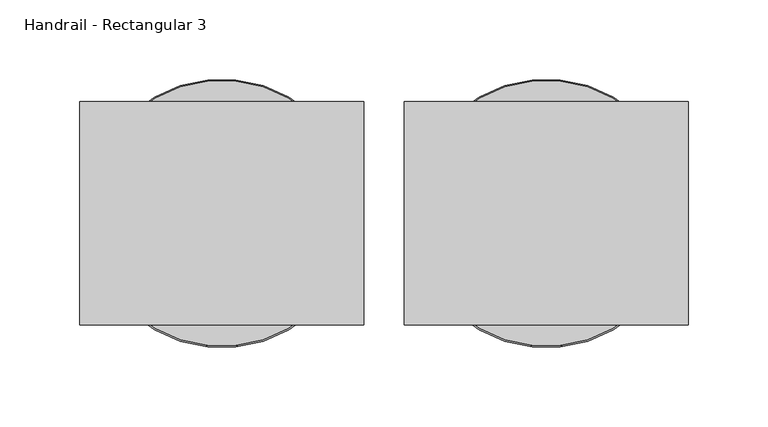
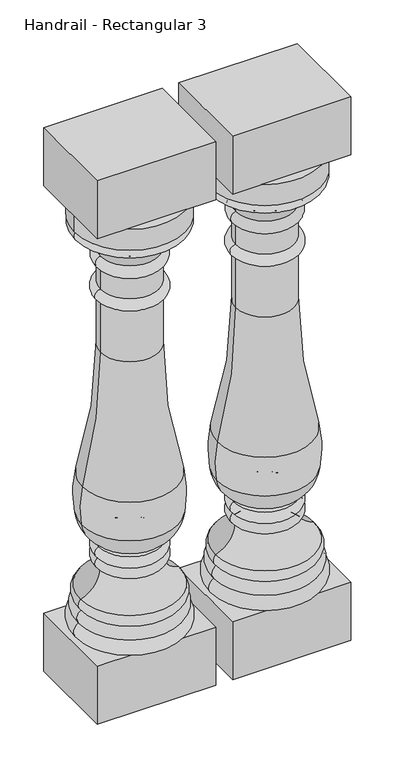
"""IFC4 building model written with IfcOpenShell, lengths in millimetres: railing geometry, Handrail - Rectangular 3."""

from ifc_helpers import new_model, si_unit, point, frame, origin, place, context, project, spatial, polyline, circle_curve, ellipse_curve, trimmed, outline, extrude, source, transform, mapped, element, save
from ifc_brep_helpers import plane_surface, cylinder_surface, revolved_surface, advanced_brep


def handrail_rectangular_3_8b797d47(model_context):
    return source(origin(), model_context, "Body", "SolidModel", [
        advanced_brep(
        [(7307.4128537, 2142.9239298, 849.3125), (7474.1003537, 2142.9239298, 849.3125), (7474.1003537, 2142.9239298, 882.65), (7307.4128537, 2142.9239298, 882.65), (7310.5878537, 2142.9239298, 849.3125), (7470.9253537, 2142.9239298, 849.3125), (7310.5878537, 2142.9239298, 835.025), (7470.9253537, 2142.9239298, 835.025), (7347.1003537, 2142.9239298, 796.925), (7434.4128537, 2142.9239298, 796.925), (7347.1003537, 2142.9239298, 777.875), (7434.4128537, 2142.9239298, 777.875), (7347.1003537, 2142.9239298, 744.5375), (7434.4128537, 2142.9239298, 744.5375), (7347.1003537, 2142.9239298, 727.075), (7434.4128537, 2142.9239298, 727.075), (7347.1003537, 2142.9239298, 644.525), (7434.4128537, 2142.9239298, 644.525), (7319.9118362, 2142.9239298, 440.2065586), (7461.6013712, 2142.9239298, 440.2065586), (7318.7214802, 2142.9239298, 379.6643134), (7462.7917272, 2142.9239298, 379.6643134), (7345.9325388, 2142.9239298, 340.8286685), (7435.5806687, 2142.9239298, 340.8286685), (7344.207257, 2142.9239298, 336.3463085), (7437.3059504, 2142.9239298, 336.3463085), (7343.1316037, 2142.9239298, 319.0875), (7438.3816037, 2142.9239298, 319.0875), (7346.3066037, 2142.9239298, 301.625), (7435.2066037, 2142.9239298, 301.625), (7316.9378537, 2142.9239298, 261.9375), (7464.5753537, 2142.9239298, 261.9375), (7317.7316037, 2142.9239298, 244.475), (7463.7816037, 2142.9239298, 244.475), (7313.7628537, 2142.9239298, 225.425), (7467.7503537, 2142.9239298, 225.425), (7310.5878537, 2142.9239298, 203.2), (7470.9253537, 2142.9239298, 203.2), (7390.7566037, 2142.9239298, 203.2), (7390.7566037, 2142.9239298, 882.65)],
        [
            (0, 1, circle_curve(frame((7390.7566037, 2142.9239298, 849.3125), z_axis=(0.0, 0.0, 1.0), x_axis=(1.0, 0.0, 0.0)), 83.34375)),
            (1, 2),
            (2, 3, circle_curve(frame((7390.7566037, 2142.9239298, 882.65), z_axis=(0.0, 0.0, -1.0), x_axis=(1.0, 0.0, 0.0)), 83.34375)),
            (3, 0),
            (1, 0, circle_curve(frame((7390.7566037, 2142.9239298, 849.3125), z_axis=(0.0, 0.0, 1.0), x_axis=(1.0, 0.0, 0.0)), 83.34375)),
            (3, 2, circle_curve(frame((7390.7566037, 2142.9239298, 882.65), z_axis=(0.0, 0.0, -1.0), x_axis=(1.0, 0.0, 0.0)), 83.34375)),
            (4, 5, circle_curve(frame((7390.7566037, 2142.9239298, 849.3125), z_axis=(0.0, 0.0, 1.0), x_axis=(1.0, 0.0, 0.0)), 80.16875)),
            (5, 1),
            (0, 4),
            (5, 4, circle_curve(frame((7390.7566037, 2142.9239298, 849.3125), z_axis=(0.0, 0.0, 1.0), x_axis=(1.0, 0.0, 0.0)), 80.16875)),
            (6, 7, circle_curve(frame((7390.7566037, 2142.9239298, 835.025), z_axis=(0.0, 0.0, 1.0), x_axis=(1.0, 0.0, 0.0)), 80.16875)),
            (7, 5, circle_curve(frame((7464.476135, 2142.9239298, 842.16875), z_axis=(0.0, -1.0, 0.0), x_axis=(1.0, 0.0, 0.0)), 9.6242187)),
            (4, 6, circle_curve(frame((7317.0370725, 2142.9239298, 842.16875), z_axis=(0.0, -1.0, 0.0), x_axis=(-1.0, 0.0, 0.0)), 9.6242187)),
            (7, 6, circle_curve(frame((7390.7566037, 2142.9239298, 835.025), z_axis=(0.0, 0.0, 1.0), x_axis=(1.0, 0.0, 0.0)), 80.16875)),
            (8, 9, circle_curve(frame((7390.7566037, 2142.9239298, 796.925), z_axis=(0.0, 0.0, 1.0), x_axis=(1.0, 0.0, 0.0)), 43.65625)),
            (9, 7, circle_curve(frame((7489.8296582, 2142.9239298, 780.362802), z_axis=(0.0, 1.0, 0.0), x_axis=(1.0, 0.0, 0.0)), 57.8388159)),
            (6, 8, circle_curve(frame((7291.6835492, 2142.9239298, 780.362802), z_axis=(0.0, 1.0, 0.0), x_axis=(-1.0, 0.0, 0.0)), 57.8388159)),
            (9, 8, circle_curve(frame((7390.7566037, 2142.9239298, 796.925), z_axis=(0.0, 0.0, 1.0), x_axis=(1.0, 0.0, 0.0)), 43.65625)),
            (10, 11, circle_curve(frame((7390.7566037, 2142.9239298, 777.875), z_axis=(0.0, 0.0, 1.0), x_axis=(1.0, 0.0, 0.0)), 43.65625)),
            (11, 9, circle_curve(frame((7432.6666037, 2142.9239298, 787.4), z_axis=(0.0, -1.0, 0.0), x_axis=(1.0, 0.0, 0.0)), 9.68375)),
            (8, 10, circle_curve(frame((7348.8466037, 2142.9239298, 787.4), z_axis=(0.0, -1.0, 0.0), x_axis=(-1.0, 0.0, 0.0)), 9.68375)),
            (11, 10, circle_curve(frame((7390.7566037, 2142.9239298, 777.875), z_axis=(0.0, 0.0, 1.0), x_axis=(1.0, 0.0, 0.0)), 43.65625)),
            (12, 13, circle_curve(frame((7390.7566037, 2142.9239298, 744.5375), z_axis=(0.0, 0.0, 1.0), x_axis=(1.0, 0.0, 0.0)), 43.65625)),
            (13, 11),
            (10, 12),
            (13, 12, circle_curve(frame((7390.7566037, 2142.9239298, 744.5375), z_axis=(0.0, 0.0, 1.0), x_axis=(1.0, 0.0, 0.0)), 43.65625)),
            (14, 15, circle_curve(frame((7390.7566037, 2142.9239298, 727.075), z_axis=(0.0, 0.0, 1.0), x_axis=(1.0, 0.0, 0.0)), 43.65625)),
            (15, 13, circle_curve(frame((7434.4128537, 2142.9239298, 735.80625), z_axis=(0.0, -1.0, 0.0), x_axis=(1.0, 0.0, 0.0)), 8.73125)),
            (12, 14, circle_curve(frame((7347.1003537, 2142.9239298, 735.80625), z_axis=(0.0, -1.0, 0.0), x_axis=(-1.0, 0.0, 0.0)), 8.73125)),
            (15, 14, circle_curve(frame((7390.7566037, 2142.9239298, 727.075), z_axis=(0.0, 0.0, 1.0), x_axis=(1.0, 0.0, 0.0)), 43.65625)),
            (16, 17, circle_curve(frame((7390.7566037, 2142.9239298, 644.525), z_axis=(0.0, 0.0, 1.0), x_axis=(1.0, 0.0, 0.0)), 43.65625)),
            (17, 15),
            (14, 16),
            (17, 16, circle_curve(frame((7390.7566037, 2142.9239298, 644.525), z_axis=(0.0, 0.0, 1.0), x_axis=(1.0, 0.0, 0.0)), 43.65625)),
            (18, 19, circle_curve(frame((7390.7566037, 2142.9239298, 440.2065586), z_axis=(0.0, 0.0, 1.0), x_axis=(1.0, 0.0, 0.0)), 70.8447675)),
            (19, 17, circle_curve(frame((8169.1896033, 2142.9239298, 638.333048), z_axis=(0.0, 1.0, 0.0), x_axis=(1.0, 0.0, 0.0)), 734.8028389)),
            (16, 18, circle_curve(frame((6612.3236041, 2142.9239298, 638.333048), z_axis=(0.0, 1.0, 0.0), x_axis=(-1.0, 0.0, 0.0)), 734.8028389)),
            (19, 18, circle_curve(frame((7390.7566037, 2142.9239298, 440.2065586), z_axis=(0.0, 0.0, 1.0), x_axis=(1.0, 0.0, 0.0)), 70.8447675)),
            (20, 21, circle_curve(frame((7390.7566037, 2142.9239298, 379.6643134), z_axis=(0.0, 0.0, 1.0), x_axis=(1.0, 0.0, 0.0)), 72.0351235)),
            (21, 19, circle_curve(frame((7303.7027491, 2142.9239298, 406.819198), z_axis=(0.0, -1.0, 0.0), x_axis=(1.0, 0.0, 0.0)), 161.3898718)),
            (18, 20, circle_curve(frame((7477.8104584, 2142.9239298, 406.819198), z_axis=(0.0, -1.0, 0.0), x_axis=(-1.0, 0.0, 0.0)), 161.3898718)),
            (21, 20, circle_curve(frame((7390.7566037, 2142.9239298, 379.6643134), z_axis=(0.0, 0.0, 1.0), x_axis=(1.0, 0.0, 0.0)), 72.0351235)),
            (22, 23, circle_curve(frame((7390.7566037, 2142.9239298, 340.8286685), z_axis=(0.0, 0.0, 1.0), x_axis=(1.0, 0.0, 0.0)), 44.8240649)),
            (23, 21, circle_curve(frame((7413.0617054, 2142.9239298, 385.5579203), z_axis=(0.0, -1.0, 0.0), x_axis=(1.0, 0.0, 0.0)), 50.0780358)),
            (20, 22, circle_curve(frame((7368.451502, 2142.9239298, 385.5579203), z_axis=(0.0, -1.0, 0.0), x_axis=(-1.0, 0.0, 0.0)), 50.0780358)),
            (23, 22, circle_curve(frame((7390.7566037, 2142.9239298, 340.8286685), z_axis=(0.0, 0.0, 1.0), x_axis=(1.0, 0.0, 0.0)), 44.8240649)),
            (24, 25, circle_curve(frame((7390.7566037, 2142.9239298, 336.3463085), z_axis=(0.0, 0.0, 1.0), x_axis=(1.0, 0.0, 0.0)), 46.5493467)),
            (25, 23, circle_curve(frame((7438.3816037, 2142.9239298, 339.3335472), z_axis=(0.0, 1.0, 0.0), x_axis=(1.0, 0.0, 0.0)), 3.175)),
            (22, 24, circle_curve(frame((7343.1316037, 2142.9239298, 339.3335472), z_axis=(0.0, 1.0, 0.0), x_axis=(-1.0, 0.0, 0.0)), 3.175)),
            (25, 24, circle_curve(frame((7390.7566037, 2142.9239298, 336.3463085), z_axis=(0.0, 0.0, 1.0), x_axis=(1.0, 0.0, 0.0)), 46.5493467)),
            (26, 27, circle_curve(frame((7390.7566037, 2142.9239298, 319.0875), z_axis=(0.0, 0.0, 1.0), x_axis=(1.0, 0.0, 0.0)), 47.625)),
            (27, 25, circle_curve(frame((7433.305239, 2142.9239298, 327.4340404), z_axis=(0.0, -1.0, 0.0), x_axis=(1.0, 0.0, 0.0)), 9.7690437)),
            (24, 26, circle_curve(frame((7348.2079685, 2142.9239298, 327.4340404), z_axis=(0.0, -1.0, 0.0), x_axis=(-1.0, 0.0, 0.0)), 9.7690437)),
            (27, 26, circle_curve(frame((7390.7566037, 2142.9239298, 319.0875), z_axis=(0.0, 0.0, 1.0), x_axis=(1.0, 0.0, 0.0)), 47.625)),
            (28, 29, circle_curve(frame((7390.7566037, 2142.9239298, 301.625), z_axis=(0.0, 0.0, 1.0), x_axis=(1.0, 0.0, 0.0)), 44.45)),
            (29, 27, circle_curve(frame((7433.7679318, 2142.9239298, 310.9064631), z_axis=(0.0, -1.0, 0.0), x_axis=(1.0, 0.0, 0.0)), 9.3923018)),
            (26, 28, circle_curve(frame((7347.7452756, 2142.9239298, 310.9064631), z_axis=(0.0, -1.0, 0.0), x_axis=(-1.0, 0.0, 0.0)), 9.3923018)),
            (29, 28, circle_curve(frame((7390.7566037, 2142.9239298, 301.625), z_axis=(0.0, 0.0, 1.0), x_axis=(1.0, 0.0, 0.0)), 44.45)),
            (30, 31, circle_curve(frame((7390.7566037, 2142.9239298, 261.9375), z_axis=(0.0, 0.0, 1.0), x_axis=(1.0, 0.0, 0.0)), 73.81875)),
            (31, 29, circle_curve(frame((7476.7068571, 2142.9239298, 301.625), z_axis=(0.0, 1.0, 0.0), x_axis=(1.0, 0.0, 0.0)), 41.5002534)),
            (28, 30, circle_curve(frame((7304.8063503, 2142.9239298, 301.625), z_axis=(0.0, 1.0, 0.0), x_axis=(-1.0, 0.0, 0.0)), 41.5002534)),
            (31, 30, circle_curve(frame((7390.7566037, 2142.9239298, 261.9375), z_axis=(0.0, 0.0, 1.0), x_axis=(1.0, 0.0, 0.0)), 73.81875)),
            (32, 33, circle_curve(frame((7390.7566037, 2142.9239298, 244.475), z_axis=(0.0, 0.0, 1.0), x_axis=(1.0, 0.0, 0.0)), 73.025)),
            (33, 31, circle_curve(frame((7455.2708398, 2142.9239298, 253.6111427), z_axis=(0.0, -1.0, 0.0), x_axis=(1.0, 0.0, 0.0)), 12.4860804)),
            (30, 32, circle_curve(frame((7326.2423676, 2142.9239298, 253.6111427), z_axis=(0.0, -1.0, 0.0), x_axis=(-1.0, 0.0, 0.0)), 12.4860804)),
            (33, 32, circle_curve(frame((7390.7566037, 2142.9239298, 244.475), z_axis=(0.0, 0.0, 1.0), x_axis=(1.0, 0.0, 0.0)), 73.025)),
            (34, 35, circle_curve(frame((7390.7566037, 2142.9239298, 225.425), z_axis=(0.0, 0.0, 1.0), x_axis=(1.0, 0.0, 0.0)), 76.99375)),
            (35, 33, circle_curve(frame((7457.1068878, 2142.9239298, 233.1460227), z_axis=(0.0, -1.0, 0.0), x_axis=(1.0, 0.0, 0.0)), 13.1490516)),
            (32, 34, circle_curve(frame((7324.4063196, 2142.9239298, 233.1460227), z_axis=(0.0, -1.0, 0.0), x_axis=(-1.0, 0.0, 0.0)), 13.1490516)),
            (35, 34, circle_curve(frame((7390.7566037, 2142.9239298, 225.425), z_axis=(0.0, 0.0, 1.0), x_axis=(1.0, 0.0, 0.0)), 76.99375)),
            (36, 37, circle_curve(frame((7390.7566037, 2142.9239298, 203.2), z_axis=(0.0, 0.0, 1.0), x_axis=(1.0, 0.0, 0.0)), 80.16875)),
            (37, 35, circle_curve(frame((7460.776693, 2142.9239298, 213.089477), z_axis=(0.0, -1.0, 0.0), x_axis=(1.0, 0.0, 0.0)), 14.1702883)),
            (34, 36, circle_curve(frame((7320.7365144, 2142.9239298, 213.089477), z_axis=(0.0, -1.0, 0.0), x_axis=(-1.0, 0.0, 0.0)), 14.1702883)),
            (37, 36, circle_curve(frame((7390.7566037, 2142.9239298, 203.2), z_axis=(0.0, 0.0, 1.0), x_axis=(1.0, 0.0, 0.0)), 80.16875)),
            (38, 37),
            (36, 38),
            (2, 39),
            (39, 3),
        ],
        [
            cylinder_surface(frame((7390.7566037, 2142.9239298, 831.85), z_axis=(0.0, 0.0, -1.0), x_axis=(1.0, 0.0, 0.0)), 83.34375),
            plane_surface(frame((7390.7566037, 2142.9239298, 849.3125), z_axis=(0.0, 0.0, -1.0), x_axis=(1.0, 0.0, 0.0))),
            revolved_surface(trimmed(ellipse_curve(frame((7464.476135, 2142.9239298, 842.16875), z_axis=(0.0, 1.0, 0.0), x_axis=(1.0, 0.0, 0.0)), 9.6242187, 9.6242187), [point((7470.9253537, 2142.9239298, 849.3125))], [point((7470.9253537, 2142.9239298, 835.025))], True, "CARTESIAN"), (7390.7566037, 2142.9239298, 831.85), (0.0, 0.0, -1.0)),
            revolved_surface(trimmed(ellipse_curve(frame((7489.8296582, 2142.9239298, 780.362802), z_axis=(0.0, -1.0, 0.0), x_axis=(1.0, 0.0, 0.0)), 57.8388159, 57.8388159), [point((7470.9253537, 2142.9239298, 835.025))], [point((7434.4128537, 2142.9239298, 796.925))], True, "CARTESIAN"), (7390.7566037, 2142.9239298, 831.85), (0.0, 0.0, -1.0)),
            revolved_surface(trimmed(ellipse_curve(frame((7432.6666037, 2142.9239298, 787.4), z_axis=(0.0, 1.0, 0.0), x_axis=(1.0, 0.0, 0.0)), 9.68375, 9.68375), [point((7434.4128537, 2142.9239298, 796.925))], [point((7434.4128537, 2142.9239298, 777.875))], True, "CARTESIAN"), (7390.7566037, 2142.9239298, 831.85), (0.0, 0.0, -1.0)),
            cylinder_surface(frame((7390.7566037, 2142.9239298, 831.85), z_axis=(0.0, 0.0, -1.0), x_axis=(1.0, 0.0, 0.0)), 43.65625),
            revolved_surface(trimmed(ellipse_curve(frame((7434.4128537, 2142.9239298, 735.80625), z_axis=(0.0, 1.0, 0.0), x_axis=(1.0, 0.0, 0.0)), 8.73125, 8.73125), [point((7434.4128537, 2142.9239298, 744.5375))], [point((7434.4128537, 2142.9239298, 727.075))], True, "CARTESIAN"), (7390.7566037, 2142.9239298, 831.85), (0.0, 0.0, -1.0)),
            revolved_surface(trimmed(ellipse_curve(frame((8169.1896033, 2142.9239298, 638.333048), z_axis=(0.0, -1.0, 0.0), x_axis=(1.0, 0.0, 0.0)), 734.8028389, 734.8028389), [point((7434.4128537, 2142.9239298, 644.525))], [point((7461.6013712, 2142.9239298, 440.2065586))], True, "CARTESIAN"), (7390.7566037, 2142.9239298, 831.85), (0.0, 0.0, -1.0)),
            revolved_surface(trimmed(ellipse_curve(frame((7303.7027491, 2142.9239298, 406.819198), z_axis=(0.0, 1.0, 0.0), x_axis=(1.0, 0.0, 0.0)), 161.3898718, 161.3898718), [point((7461.6013712, 2142.9239298, 440.2065586))], [point((7462.7917272, 2142.9239298, 379.6643134))], True, "CARTESIAN"), (7390.7566037, 2142.9239298, 831.85), (0.0, 0.0, -1.0)),
            revolved_surface(trimmed(ellipse_curve(frame((7413.0617054, 2142.9239298, 385.5579203), z_axis=(0.0, 1.0, 0.0), x_axis=(1.0, 0.0, 0.0)), 50.0780358, 50.0780358), [point((7462.7917272, 2142.9239298, 379.6643134))], [point((7435.5806687, 2142.9239298, 340.8286685))], True, "CARTESIAN"), (7390.7566037, 2142.9239298, 831.85), (0.0, 0.0, -1.0)),
            revolved_surface(trimmed(ellipse_curve(frame((7438.3816037, 2142.9239298, 339.3335472), z_axis=(0.0, -1.0, 0.0), x_axis=(1.0, 0.0, 0.0)), 3.175, 3.175), [point((7435.5806687, 2142.9239298, 340.8286685))], [point((7437.3059504, 2142.9239298, 336.3463085))], True, "CARTESIAN"), (7390.7566037, 2142.9239298, 831.85), (0.0, 0.0, -1.0)),
            revolved_surface(trimmed(ellipse_curve(frame((7433.305239, 2142.9239298, 327.4340404), z_axis=(0.0, 1.0, 0.0), x_axis=(1.0, 0.0, 0.0)), 9.7690437, 9.7690437), [point((7437.3059504, 2142.9239298, 336.3463085))], [point((7438.3816037, 2142.9239298, 319.0875))], True, "CARTESIAN"), (7390.7566037, 2142.9239298, 831.85), (0.0, 0.0, -1.0)),
            revolved_surface(trimmed(ellipse_curve(frame((7433.7679318, 2142.9239298, 310.9064631), z_axis=(0.0, 1.0, 0.0), x_axis=(1.0, 0.0, 0.0)), 9.3923018, 9.3923018), [point((7438.3816037, 2142.9239298, 319.0875))], [point((7435.2066037, 2142.9239298, 301.625))], True, "CARTESIAN"), (7390.7566037, 2142.9239298, 831.85), (0.0, 0.0, -1.0)),
            revolved_surface(trimmed(ellipse_curve(frame((7476.7068571, 2142.9239298, 301.625), z_axis=(0.0, -1.0, 0.0), x_axis=(1.0, 0.0, 0.0)), 41.5002534, 41.5002534), [point((7435.2066037, 2142.9239298, 301.625))], [point((7464.5753537, 2142.9239298, 261.9375))], True, "CARTESIAN"), (7390.7566037, 2142.9239298, 831.85), (0.0, 0.0, -1.0)),
            revolved_surface(trimmed(ellipse_curve(frame((7455.2708398, 2142.9239298, 253.6111427), z_axis=(0.0, 1.0, 0.0), x_axis=(1.0, 0.0, 0.0)), 12.4860804, 12.4860804), [point((7464.5753537, 2142.9239298, 261.9375))], [point((7463.7816037, 2142.9239298, 244.475))], True, "CARTESIAN"), (7390.7566037, 2142.9239298, 831.85), (0.0, 0.0, -1.0)),
            revolved_surface(trimmed(ellipse_curve(frame((7457.1068878, 2142.9239298, 233.1460227), z_axis=(0.0, 1.0, 0.0), x_axis=(1.0, 0.0, 0.0)), 13.1490516, 13.1490516), [point((7463.7816037, 2142.9239298, 244.475))], [point((7467.7503537, 2142.9239298, 225.425))], True, "CARTESIAN"), (7390.7566037, 2142.9239298, 831.85), (0.0, 0.0, -1.0)),
            revolved_surface(trimmed(ellipse_curve(frame((7460.776693, 2142.9239298, 213.089477), z_axis=(0.0, 1.0, 0.0), x_axis=(1.0, 0.0, 0.0)), 14.1702883, 14.1702883), [point((7467.7503537, 2142.9239298, 225.425))], [point((7470.9253537, 2142.9239298, 203.2))], True, "CARTESIAN"), (7390.7566037, 2142.9239298, 831.85), (0.0, 0.0, -1.0)),
            plane_surface(frame((7390.7566037, 2142.9239298, 203.2), z_axis=(0.0, 0.0, -1.0), x_axis=(1.0, 0.0, 0.0))),
            plane_surface(frame((7390.7566037, 2142.9239298, 882.65), z_axis=(0.0, 0.0, 1.0), x_axis=(1.0, 0.0, 0.0))),
        ],
        [
            (0, [[1, 2, 3, 4]]),
            (0, [[5, -4, 6, -2]]),
            (1, [[7, 8, -1, 9]]),
            (1, [[10, -9, -5, -8]]),
            (2, [[11, 12, -7, 13]]),
            (2, [[14, -13, -10, -12]]),
            (3, [[15, 16, -11, 17]]),
            (3, [[18, -17, -14, -16]]),
            (4, [[19, 20, -15, 21]]),
            (4, [[22, -21, -18, -20]]),
            (5, [[23, 24, -19, 25]]),
            (5, [[26, -25, -22, -24]]),
            (6, [[27, 28, -23, 29]]),
            (6, [[30, -29, -26, -28]]),
            (5, [[31, 32, -27, 33]]),
            (5, [[34, -33, -30, -32]]),
            (7, [[35, 36, -31, 37]]),
            (7, [[38, -37, -34, -36]]),
            (8, [[39, 40, -35, 41]]),
            (8, [[42, -41, -38, -40]]),
            (9, [[43, 44, -39, 45]]),
            (9, [[46, -45, -42, -44]]),
            (10, [[47, 48, -43, 49]]),
            (10, [[50, -49, -46, -48]]),
            (11, [[51, 52, -47, 53]]),
            (11, [[54, -53, -50, -52]]),
            (12, [[55, 56, -51, 57]]),
            (12, [[58, -57, -54, -56]]),
            (13, [[59, 60, -55, 61]]),
            (13, [[62, -61, -58, -60]]),
            (14, [[63, 64, -59, 65]]),
            (14, [[66, -65, -62, -64]]),
            (15, [[67, 68, -63, 69]]),
            (15, [[70, -69, -66, -68]]),
            (16, [[71, 72, -67, 73]]),
            (16, [[74, -73, -70, -72]]),
            (17, [[75, -71, 76]]),
            (17, [[-76, -74, -75]]),
            (18, [[-3, 77, 78]]),
            (18, [[-6, -78, -77]]),
        ],
    ),
        extrude(outline(polyline([(7301.8566037, 2073.0739298), (7301.8566037, 2212.7739298), (7479.6566037, 2212.7739298), (7479.6566037, 2073.0739298), (7301.8566037, 2073.0739298)])), frame((0.0, 0.0, 111.125), z_axis=(0.0, 0.0, 1.0), x_axis=(1.0, 0.0, 0.0)), (0.0, 0.0, 1.0), 92.075),
        extrude(outline(polyline([(7301.8566037, 2212.7739298), (7479.6566037, 2212.7739298), (7479.6566037, 2073.0739298), (7301.8566037, 2073.0739298), (7301.8566037, 2212.7739298)])), frame((0.0, 0.0, 882.65), z_axis=(0.0, 0.0, 1.0), x_axis=(1.0, 0.0, 0.0)), (0.0, 0.0, 1.0), 92.075),
        advanced_brep(
        [(7104.2128537, 2142.9239298, 849.3125), (7270.9003537, 2142.9239298, 849.3125), (7270.9003537, 2142.9239298, 882.65), (7104.2128537, 2142.9239298, 882.65), (7107.3878537, 2142.9239298, 849.3125), (7267.7253537, 2142.9239298, 849.3125), (7107.3878537, 2142.9239298, 835.025), (7267.7253537, 2142.9239298, 835.025), (7143.9003537, 2142.9239298, 796.925), (7231.2128537, 2142.9239298, 796.925), (7143.9003537, 2142.9239298, 777.875), (7231.2128537, 2142.9239298, 777.875), (7143.9003537, 2142.9239298, 744.5375), (7231.2128537, 2142.9239298, 744.5375), (7143.9003537, 2142.9239298, 727.075), (7231.2128537, 2142.9239298, 727.075), (7143.9003537, 2142.9239298, 644.525), (7231.2128537, 2142.9239298, 644.525), (7116.7118362, 2142.9239298, 440.2065586), (7258.4013712, 2142.9239298, 440.2065586), (7115.5214802, 2142.9239298, 379.6643134), (7259.5917272, 2142.9239298, 379.6643134), (7142.7325388, 2142.9239298, 340.8286685), (7232.3806687, 2142.9239298, 340.8286685), (7141.007257, 2142.9239298, 336.3463085), (7234.1059504, 2142.9239298, 336.3463085), (7139.9316037, 2142.9239298, 319.0875), (7235.1816037, 2142.9239298, 319.0875), (7143.1066037, 2142.9239298, 301.625), (7232.0066037, 2142.9239298, 301.625), (7113.7378537, 2142.9239298, 261.9375), (7261.3753537, 2142.9239298, 261.9375), (7114.5316037, 2142.9239298, 244.475), (7260.5816037, 2142.9239298, 244.475), (7110.5628537, 2142.9239298, 225.425), (7264.5503537, 2142.9239298, 225.425), (7107.3878537, 2142.9239298, 203.2), (7267.7253537, 2142.9239298, 203.2), (7187.5566037, 2142.9239298, 203.2), (7187.5566037, 2142.9239298, 882.65)],
        [
            (0, 1, circle_curve(frame((7187.5566037, 2142.9239298, 849.3125), z_axis=(0.0, 0.0, 1.0), x_axis=(1.0, 0.0, 0.0)), 83.34375)),
            (1, 2),
            (2, 3, circle_curve(frame((7187.5566037, 2142.9239298, 882.65), z_axis=(0.0, 0.0, -1.0), x_axis=(1.0, 0.0, 0.0)), 83.34375)),
            (3, 0),
            (1, 0, circle_curve(frame((7187.5566037, 2142.9239298, 849.3125), z_axis=(0.0, 0.0, 1.0), x_axis=(1.0, 0.0, 0.0)), 83.34375)),
            (3, 2, circle_curve(frame((7187.5566037, 2142.9239298, 882.65), z_axis=(0.0, 0.0, -1.0), x_axis=(1.0, 0.0, 0.0)), 83.34375)),
            (4, 5, circle_curve(frame((7187.5566037, 2142.9239298, 849.3125), z_axis=(0.0, 0.0, 1.0), x_axis=(1.0, 0.0, 0.0)), 80.16875)),
            (5, 1),
            (0, 4),
            (5, 4, circle_curve(frame((7187.5566037, 2142.9239298, 849.3125), z_axis=(0.0, 0.0, 1.0), x_axis=(1.0, 0.0, 0.0)), 80.16875)),
            (6, 7, circle_curve(frame((7187.5566037, 2142.9239298, 835.025), z_axis=(0.0, 0.0, 1.0), x_axis=(1.0, 0.0, 0.0)), 80.16875)),
            (7, 5, circle_curve(frame((7261.276135, 2142.9239298, 842.16875), z_axis=(0.0, -1.0, 0.0), x_axis=(1.0, 0.0, 0.0)), 9.6242187)),
            (4, 6, circle_curve(frame((7113.8370725, 2142.9239298, 842.16875), z_axis=(0.0, -1.0, 0.0), x_axis=(-1.0, 0.0, 0.0)), 9.6242187)),
            (7, 6, circle_curve(frame((7187.5566037, 2142.9239298, 835.025), z_axis=(0.0, 0.0, 1.0), x_axis=(1.0, 0.0, 0.0)), 80.16875)),
            (8, 9, circle_curve(frame((7187.5566037, 2142.9239298, 796.925), z_axis=(0.0, 0.0, 1.0), x_axis=(1.0, 0.0, 0.0)), 43.65625)),
            (9, 7, circle_curve(frame((7286.6296582, 2142.9239298, 780.362802), z_axis=(0.0, 1.0, 0.0), x_axis=(1.0, 0.0, 0.0)), 57.8388159)),
            (6, 8, circle_curve(frame((7088.4835492, 2142.9239298, 780.362802), z_axis=(0.0, 1.0, 0.0), x_axis=(-1.0, 0.0, 0.0)), 57.8388159)),
            (9, 8, circle_curve(frame((7187.5566037, 2142.9239298, 796.925), z_axis=(0.0, 0.0, 1.0), x_axis=(1.0, 0.0, 0.0)), 43.65625)),
            (10, 11, circle_curve(frame((7187.5566037, 2142.9239298, 777.875), z_axis=(0.0, 0.0, 1.0), x_axis=(1.0, 0.0, 0.0)), 43.65625)),
            (11, 9, circle_curve(frame((7229.4666037, 2142.9239298, 787.4), z_axis=(0.0, -1.0, 0.0), x_axis=(1.0, 0.0, 0.0)), 9.68375)),
            (8, 10, circle_curve(frame((7145.6466037, 2142.9239298, 787.4), z_axis=(0.0, -1.0, 0.0), x_axis=(-1.0, 0.0, 0.0)), 9.68375)),
            (11, 10, circle_curve(frame((7187.5566037, 2142.9239298, 777.875), z_axis=(0.0, 0.0, 1.0), x_axis=(1.0, 0.0, 0.0)), 43.65625)),
            (12, 13, circle_curve(frame((7187.5566037, 2142.9239298, 744.5375), z_axis=(0.0, 0.0, 1.0), x_axis=(1.0, 0.0, 0.0)), 43.65625)),
            (13, 11),
            (10, 12),
            (13, 12, circle_curve(frame((7187.5566037, 2142.9239298, 744.5375), z_axis=(0.0, 0.0, 1.0), x_axis=(1.0, 0.0, 0.0)), 43.65625)),
            (14, 15, circle_curve(frame((7187.5566037, 2142.9239298, 727.075), z_axis=(0.0, 0.0, 1.0), x_axis=(1.0, 0.0, 0.0)), 43.65625)),
            (15, 13, circle_curve(frame((7231.2128537, 2142.9239298, 735.80625), z_axis=(0.0, -1.0, 0.0), x_axis=(1.0, 0.0, 0.0)), 8.73125)),
            (12, 14, circle_curve(frame((7143.9003537, 2142.9239298, 735.80625), z_axis=(0.0, -1.0, 0.0), x_axis=(-1.0, 0.0, 0.0)), 8.73125)),
            (15, 14, circle_curve(frame((7187.5566037, 2142.9239298, 727.075), z_axis=(0.0, 0.0, 1.0), x_axis=(1.0, 0.0, 0.0)), 43.65625)),
            (16, 17, circle_curve(frame((7187.5566037, 2142.9239298, 644.525), z_axis=(0.0, 0.0, 1.0), x_axis=(1.0, 0.0, 0.0)), 43.65625)),
            (17, 15),
            (14, 16),
            (17, 16, circle_curve(frame((7187.5566037, 2142.9239298, 644.525), z_axis=(0.0, 0.0, 1.0), x_axis=(1.0, 0.0, 0.0)), 43.65625)),
            (18, 19, circle_curve(frame((7187.5566037, 2142.9239298, 440.2065586), z_axis=(0.0, 0.0, 1.0), x_axis=(1.0, 0.0, 0.0)), 70.8447675)),
            (19, 17, circle_curve(frame((7965.9896033, 2142.9239298, 638.333048), z_axis=(0.0, 1.0, 0.0), x_axis=(1.0, 0.0, 0.0)), 734.8028389)),
            (16, 18, circle_curve(frame((6409.1236041, 2142.9239298, 638.333048), z_axis=(0.0, 1.0, 0.0), x_axis=(-1.0, 0.0, 0.0)), 734.8028389)),
            (19, 18, circle_curve(frame((7187.5566037, 2142.9239298, 440.2065586), z_axis=(0.0, 0.0, 1.0), x_axis=(1.0, 0.0, 0.0)), 70.8447675)),
            (20, 21, circle_curve(frame((7187.5566037, 2142.9239298, 379.6643134), z_axis=(0.0, 0.0, 1.0), x_axis=(1.0, 0.0, 0.0)), 72.0351235)),
            (21, 19, circle_curve(frame((7100.5027491, 2142.9239298, 406.819198), z_axis=(0.0, -1.0, 0.0), x_axis=(1.0, 0.0, 0.0)), 161.3898718)),
            (18, 20, circle_curve(frame((7274.6104584, 2142.9239298, 406.819198), z_axis=(0.0, -1.0, 0.0), x_axis=(-1.0, 0.0, 0.0)), 161.3898718)),
            (21, 20, circle_curve(frame((7187.5566037, 2142.9239298, 379.6643134), z_axis=(0.0, 0.0, 1.0), x_axis=(1.0, 0.0, 0.0)), 72.0351235)),
            (22, 23, circle_curve(frame((7187.5566037, 2142.9239298, 340.8286685), z_axis=(0.0, 0.0, 1.0), x_axis=(1.0, 0.0, 0.0)), 44.8240649)),
            (23, 21, circle_curve(frame((7209.8617054, 2142.9239298, 385.5579203), z_axis=(0.0, -1.0, 0.0), x_axis=(1.0, 0.0, 0.0)), 50.0780358)),
            (20, 22, circle_curve(frame((7165.251502, 2142.9239298, 385.5579203), z_axis=(0.0, -1.0, 0.0), x_axis=(-1.0, 0.0, 0.0)), 50.0780358)),
            (23, 22, circle_curve(frame((7187.5566037, 2142.9239298, 340.8286685), z_axis=(0.0, 0.0, 1.0), x_axis=(1.0, 0.0, 0.0)), 44.8240649)),
            (24, 25, circle_curve(frame((7187.5566037, 2142.9239298, 336.3463085), z_axis=(0.0, 0.0, 1.0), x_axis=(1.0, 0.0, 0.0)), 46.5493467)),
            (25, 23, circle_curve(frame((7235.1816037, 2142.9239298, 339.3335472), z_axis=(0.0, 1.0, 0.0), x_axis=(1.0, 0.0, 0.0)), 3.175)),
            (22, 24, circle_curve(frame((7139.9316037, 2142.9239298, 339.3335472), z_axis=(0.0, 1.0, 0.0), x_axis=(-1.0, 0.0, 0.0)), 3.175)),
            (25, 24, circle_curve(frame((7187.5566037, 2142.9239298, 336.3463085), z_axis=(0.0, 0.0, 1.0), x_axis=(1.0, 0.0, 0.0)), 46.5493467)),
            (26, 27, circle_curve(frame((7187.5566037, 2142.9239298, 319.0875), z_axis=(0.0, 0.0, 1.0), x_axis=(1.0, 0.0, 0.0)), 47.625)),
            (27, 25, circle_curve(frame((7230.105239, 2142.9239298, 327.4340404), z_axis=(0.0, -1.0, 0.0), x_axis=(1.0, 0.0, 0.0)), 9.7690437)),
            (24, 26, circle_curve(frame((7145.0079685, 2142.9239298, 327.4340404), z_axis=(0.0, -1.0, 0.0), x_axis=(-1.0, 0.0, 0.0)), 9.7690437)),
            (27, 26, circle_curve(frame((7187.5566037, 2142.9239298, 319.0875), z_axis=(0.0, 0.0, 1.0), x_axis=(1.0, 0.0, 0.0)), 47.625)),
            (28, 29, circle_curve(frame((7187.5566037, 2142.9239298, 301.625), z_axis=(0.0, 0.0, 1.0), x_axis=(1.0, 0.0, 0.0)), 44.45)),
            (29, 27, circle_curve(frame((7230.5679318, 2142.9239298, 310.9064631), z_axis=(0.0, -1.0, 0.0), x_axis=(1.0, 0.0, 0.0)), 9.3923018)),
            (26, 28, circle_curve(frame((7144.5452756, 2142.9239298, 310.9064631), z_axis=(0.0, -1.0, 0.0), x_axis=(-1.0, 0.0, 0.0)), 9.3923018)),
            (29, 28, circle_curve(frame((7187.5566037, 2142.9239298, 301.625), z_axis=(0.0, 0.0, 1.0), x_axis=(1.0, 0.0, 0.0)), 44.45)),
            (30, 31, circle_curve(frame((7187.5566037, 2142.9239298, 261.9375), z_axis=(0.0, 0.0, 1.0), x_axis=(1.0, 0.0, 0.0)), 73.81875)),
            (31, 29, circle_curve(frame((7273.5068571, 2142.9239298, 301.625), z_axis=(0.0, 1.0, 0.0), x_axis=(1.0, 0.0, 0.0)), 41.5002534)),
            (28, 30, circle_curve(frame((7101.6063503, 2142.9239298, 301.625), z_axis=(0.0, 1.0, 0.0), x_axis=(-1.0, 0.0, 0.0)), 41.5002534)),
            (31, 30, circle_curve(frame((7187.5566037, 2142.9239298, 261.9375), z_axis=(0.0, 0.0, 1.0), x_axis=(1.0, 0.0, 0.0)), 73.81875)),
            (32, 33, circle_curve(frame((7187.5566037, 2142.9239298, 244.475), z_axis=(0.0, 0.0, 1.0), x_axis=(1.0, 0.0, 0.0)), 73.025)),
            (33, 31, circle_curve(frame((7252.0708398, 2142.9239298, 253.6111427), z_axis=(0.0, -1.0, 0.0), x_axis=(1.0, 0.0, 0.0)), 12.4860804)),
            (30, 32, circle_curve(frame((7123.0423676, 2142.9239298, 253.6111427), z_axis=(0.0, -1.0, 0.0), x_axis=(-1.0, 0.0, 0.0)), 12.4860804)),
            (33, 32, circle_curve(frame((7187.5566037, 2142.9239298, 244.475), z_axis=(0.0, 0.0, 1.0), x_axis=(1.0, 0.0, 0.0)), 73.025)),
            (34, 35, circle_curve(frame((7187.5566037, 2142.9239298, 225.425), z_axis=(0.0, 0.0, 1.0), x_axis=(1.0, 0.0, 0.0)), 76.99375)),
            (35, 33, circle_curve(frame((7253.9068878, 2142.9239298, 233.1460227), z_axis=(0.0, -1.0, 0.0), x_axis=(1.0, 0.0, 0.0)), 13.1490516)),
            (32, 34, circle_curve(frame((7121.2063196, 2142.9239298, 233.1460227), z_axis=(0.0, -1.0, 0.0), x_axis=(-1.0, 0.0, 0.0)), 13.1490516)),
            (35, 34, circle_curve(frame((7187.5566037, 2142.9239298, 225.425), z_axis=(0.0, 0.0, 1.0), x_axis=(1.0, 0.0, 0.0)), 76.99375)),
            (36, 37, circle_curve(frame((7187.5566037, 2142.9239298, 203.2), z_axis=(0.0, 0.0, 1.0), x_axis=(1.0, 0.0, 0.0)), 80.16875)),
            (37, 35, circle_curve(frame((7257.576693, 2142.9239298, 213.089477), z_axis=(0.0, -1.0, 0.0), x_axis=(1.0, 0.0, 0.0)), 14.1702883)),
            (34, 36, circle_curve(frame((7117.5365144, 2142.9239298, 213.089477), z_axis=(0.0, -1.0, 0.0), x_axis=(-1.0, 0.0, 0.0)), 14.1702883)),
            (37, 36, circle_curve(frame((7187.5566037, 2142.9239298, 203.2), z_axis=(0.0, 0.0, 1.0), x_axis=(1.0, 0.0, 0.0)), 80.16875)),
            (38, 37),
            (36, 38),
            (2, 39),
            (39, 3),
        ],
        [
            cylinder_surface(frame((7187.5566037, 2142.9239298, 831.85), z_axis=(0.0, 0.0, -1.0), x_axis=(1.0, 0.0, 0.0)), 83.34375),
            plane_surface(frame((7187.5566037, 2142.9239298, 849.3125), z_axis=(0.0, 0.0, -1.0), x_axis=(1.0, 0.0, 0.0))),
            revolved_surface(trimmed(ellipse_curve(frame((7261.276135, 2142.9239298, 842.16875), z_axis=(0.0, 1.0, 0.0), x_axis=(1.0, 0.0, 0.0)), 9.6242187, 9.6242187), [point((7267.7253537, 2142.9239298, 849.3125))], [point((7267.7253537, 2142.9239298, 835.025))], True, "CARTESIAN"), (7187.5566037, 2142.9239298, 831.85), (0.0, 0.0, -1.0)),
            revolved_surface(trimmed(ellipse_curve(frame((7286.6296582, 2142.9239298, 780.362802), z_axis=(0.0, -1.0, 0.0), x_axis=(1.0, 0.0, 0.0)), 57.8388159, 57.8388159), [point((7267.7253537, 2142.9239298, 835.025))], [point((7231.2128537, 2142.9239298, 796.925))], True, "CARTESIAN"), (7187.5566037, 2142.9239298, 831.85), (0.0, 0.0, -1.0)),
            revolved_surface(trimmed(ellipse_curve(frame((7229.4666037, 2142.9239298, 787.4), z_axis=(0.0, 1.0, 0.0), x_axis=(1.0, 0.0, 0.0)), 9.68375, 9.68375), [point((7231.2128537, 2142.9239298, 796.925))], [point((7231.2128537, 2142.9239298, 777.875))], True, "CARTESIAN"), (7187.5566037, 2142.9239298, 831.85), (0.0, 0.0, -1.0)),
            cylinder_surface(frame((7187.5566037, 2142.9239298, 831.85), z_axis=(0.0, 0.0, -1.0), x_axis=(1.0, 0.0, 0.0)), 43.65625),
            revolved_surface(trimmed(ellipse_curve(frame((7231.2128537, 2142.9239298, 735.80625), z_axis=(0.0, 1.0, 0.0), x_axis=(1.0, 0.0, 0.0)), 8.73125, 8.73125), [point((7231.2128537, 2142.9239298, 744.5375))], [point((7231.2128537, 2142.9239298, 727.075))], True, "CARTESIAN"), (7187.5566037, 2142.9239298, 831.85), (0.0, 0.0, -1.0)),
            revolved_surface(trimmed(ellipse_curve(frame((7965.9896033, 2142.9239298, 638.333048), z_axis=(0.0, -1.0, 0.0), x_axis=(1.0, 0.0, 0.0)), 734.8028389, 734.8028389), [point((7231.2128537, 2142.9239298, 644.525))], [point((7258.4013712, 2142.9239298, 440.2065586))], True, "CARTESIAN"), (7187.5566037, 2142.9239298, 831.85), (0.0, 0.0, -1.0)),
            revolved_surface(trimmed(ellipse_curve(frame((7100.5027491, 2142.9239298, 406.819198), z_axis=(0.0, 1.0, 0.0), x_axis=(1.0, 0.0, 0.0)), 161.3898718, 161.3898718), [point((7258.4013712, 2142.9239298, 440.2065586))], [point((7259.5917272, 2142.9239298, 379.6643134))], True, "CARTESIAN"), (7187.5566037, 2142.9239298, 831.85), (0.0, 0.0, -1.0)),
            revolved_surface(trimmed(ellipse_curve(frame((7209.8617054, 2142.9239298, 385.5579203), z_axis=(0.0, 1.0, 0.0), x_axis=(1.0, 0.0, 0.0)), 50.0780358, 50.0780358), [point((7259.5917272, 2142.9239298, 379.6643134))], [point((7232.3806687, 2142.9239298, 340.8286685))], True, "CARTESIAN"), (7187.5566037, 2142.9239298, 831.85), (0.0, 0.0, -1.0)),
            revolved_surface(trimmed(ellipse_curve(frame((7235.1816037, 2142.9239298, 339.3335472), z_axis=(0.0, -1.0, 0.0), x_axis=(1.0, 0.0, 0.0)), 3.175, 3.175), [point((7232.3806687, 2142.9239298, 340.8286685))], [point((7234.1059504, 2142.9239298, 336.3463085))], True, "CARTESIAN"), (7187.5566037, 2142.9239298, 831.85), (0.0, 0.0, -1.0)),
            revolved_surface(trimmed(ellipse_curve(frame((7230.105239, 2142.9239298, 327.4340404), z_axis=(0.0, 1.0, 0.0), x_axis=(1.0, 0.0, 0.0)), 9.7690437, 9.7690437), [point((7234.1059504, 2142.9239298, 336.3463085))], [point((7235.1816037, 2142.9239298, 319.0875))], True, "CARTESIAN"), (7187.5566037, 2142.9239298, 831.85), (0.0, 0.0, -1.0)),
            revolved_surface(trimmed(ellipse_curve(frame((7230.5679318, 2142.9239298, 310.9064631), z_axis=(0.0, 1.0, 0.0), x_axis=(1.0, 0.0, 0.0)), 9.3923018, 9.3923018), [point((7235.1816037, 2142.9239298, 319.0875))], [point((7232.0066037, 2142.9239298, 301.625))], True, "CARTESIAN"), (7187.5566037, 2142.9239298, 831.85), (0.0, 0.0, -1.0)),
            revolved_surface(trimmed(ellipse_curve(frame((7273.5068571, 2142.9239298, 301.625), z_axis=(0.0, -1.0, 0.0), x_axis=(1.0, 0.0, 0.0)), 41.5002534, 41.5002534), [point((7232.0066037, 2142.9239298, 301.625))], [point((7261.3753537, 2142.9239298, 261.9375))], True, "CARTESIAN"), (7187.5566037, 2142.9239298, 831.85), (0.0, 0.0, -1.0)),
            revolved_surface(trimmed(ellipse_curve(frame((7252.0708398, 2142.9239298, 253.6111427), z_axis=(0.0, 1.0, 0.0), x_axis=(1.0, 0.0, 0.0)), 12.4860804, 12.4860804), [point((7261.3753537, 2142.9239298, 261.9375))], [point((7260.5816037, 2142.9239298, 244.475))], True, "CARTESIAN"), (7187.5566037, 2142.9239298, 831.85), (0.0, 0.0, -1.0)),
            revolved_surface(trimmed(ellipse_curve(frame((7253.9068878, 2142.9239298, 233.1460227), z_axis=(0.0, 1.0, 0.0), x_axis=(1.0, 0.0, 0.0)), 13.1490516, 13.1490516), [point((7260.5816037, 2142.9239298, 244.475))], [point((7264.5503537, 2142.9239298, 225.425))], True, "CARTESIAN"), (7187.5566037, 2142.9239298, 831.85), (0.0, 0.0, -1.0)),
            revolved_surface(trimmed(ellipse_curve(frame((7257.576693, 2142.9239298, 213.089477), z_axis=(0.0, 1.0, 0.0), x_axis=(1.0, 0.0, 0.0)), 14.1702883, 14.1702883), [point((7264.5503537, 2142.9239298, 225.425))], [point((7267.7253537, 2142.9239298, 203.2))], True, "CARTESIAN"), (7187.5566037, 2142.9239298, 831.85), (0.0, 0.0, -1.0)),
            plane_surface(frame((7187.5566037, 2142.9239298, 203.2), z_axis=(0.0, 0.0, -1.0), x_axis=(1.0, 0.0, 0.0))),
            plane_surface(frame((7187.5566037, 2142.9239298, 882.65), z_axis=(0.0, 0.0, 1.0), x_axis=(1.0, 0.0, 0.0))),
        ],
        [
            (0, [[1, 2, 3, 4]]),
            (0, [[5, -4, 6, -2]]),
            (1, [[7, 8, -1, 9]]),
            (1, [[10, -9, -5, -8]]),
            (2, [[11, 12, -7, 13]]),
            (2, [[14, -13, -10, -12]]),
            (3, [[15, 16, -11, 17]]),
            (3, [[18, -17, -14, -16]]),
            (4, [[19, 20, -15, 21]]),
            (4, [[22, -21, -18, -20]]),
            (5, [[23, 24, -19, 25]]),
            (5, [[26, -25, -22, -24]]),
            (6, [[27, 28, -23, 29]]),
            (6, [[30, -29, -26, -28]]),
            (5, [[31, 32, -27, 33]]),
            (5, [[34, -33, -30, -32]]),
            (7, [[35, 36, -31, 37]]),
            (7, [[38, -37, -34, -36]]),
            (8, [[39, 40, -35, 41]]),
            (8, [[42, -41, -38, -40]]),
            (9, [[43, 44, -39, 45]]),
            (9, [[46, -45, -42, -44]]),
            (10, [[47, 48, -43, 49]]),
            (10, [[50, -49, -46, -48]]),
            (11, [[51, 52, -47, 53]]),
            (11, [[54, -53, -50, -52]]),
            (12, [[55, 56, -51, 57]]),
            (12, [[58, -57, -54, -56]]),
            (13, [[59, 60, -55, 61]]),
            (13, [[62, -61, -58, -60]]),
            (14, [[63, 64, -59, 65]]),
            (14, [[66, -65, -62, -64]]),
            (15, [[67, 68, -63, 69]]),
            (15, [[70, -69, -66, -68]]),
            (16, [[71, 72, -67, 73]]),
            (16, [[74, -73, -70, -72]]),
            (17, [[75, -71, 76]]),
            (17, [[-76, -74, -75]]),
            (18, [[-3, 77, 78]]),
            (18, [[-6, -78, -77]]),
        ],
    ),
        extrude(outline(polyline([(7098.6566037, 2073.0739298), (7098.6566037, 2212.7739298), (7276.4566037, 2212.7739298), (7276.4566037, 2073.0739298), (7098.6566037, 2073.0739298)])), frame((0.0, 0.0, 111.125), z_axis=(0.0, 0.0, 1.0), x_axis=(1.0, 0.0, 0.0)), (0.0, 0.0, 1.0), 92.075),
        extrude(outline(polyline([(7098.6566037, 2212.7739298), (7276.4566037, 2212.7739298), (7276.4566037, 2073.0739298), (7098.6566037, 2073.0739298), (7098.6566037, 2212.7739298)])), frame((0.0, 0.0, 882.65), z_axis=(0.0, 0.0, 1.0), x_axis=(1.0, 0.0, 0.0)), (0.0, 0.0, 1.0), 92.075),
    ])


if __name__ == "__main__":
    model = new_model("IFC4")
    model_context = context("Model", 3, world=origin())
    ifc_project = project(units=[si_unit("LENGTHUNIT", "METRE", prefix="MILLI")], contexts=[model_context])
    site = spatial("IfcSite", under=ifc_project)
    building = spatial("IfcBuilding", under=site)
    placement = place(None, origin())
    handrail_rectangular_3_shape = handrail_rectangular_3_8b797d47(model_context)
    element("IfcRailing", 1, ObjectType="Handrail - Rectangular 3", at=placement, inside=building, context=model_context, shape_type="MappedRepresentation", body=[
        mapped(handrail_rectangular_3_shape, transform((0.0, 0.0, 0.0), x_axis=(1.0, 0.0, 0.0), y_axis=(0.0, 1.0, 0.0), z_axis=(0.0, 0.0, 1.0))),
    ])
    save(model, "model.ifc")
